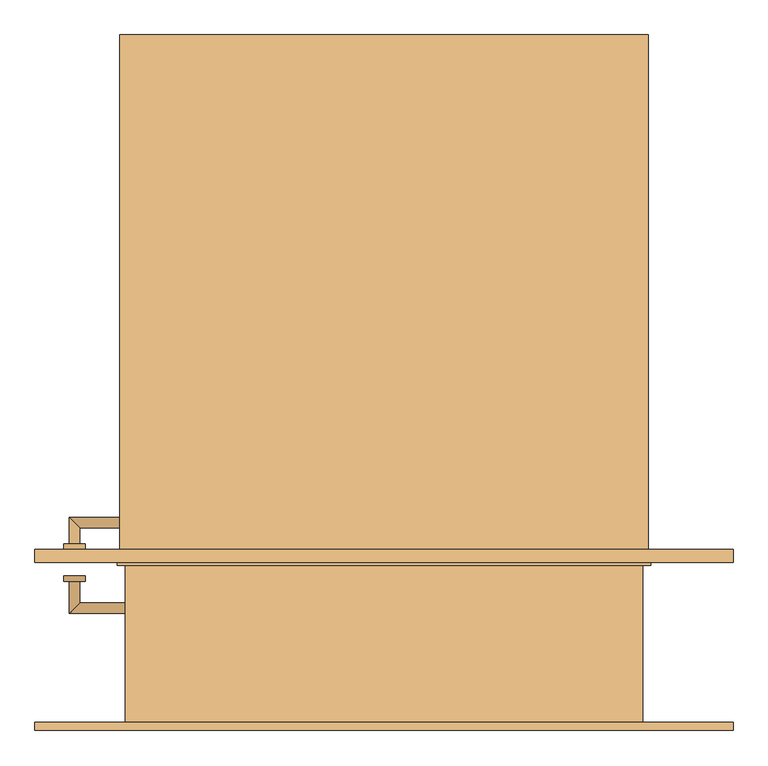
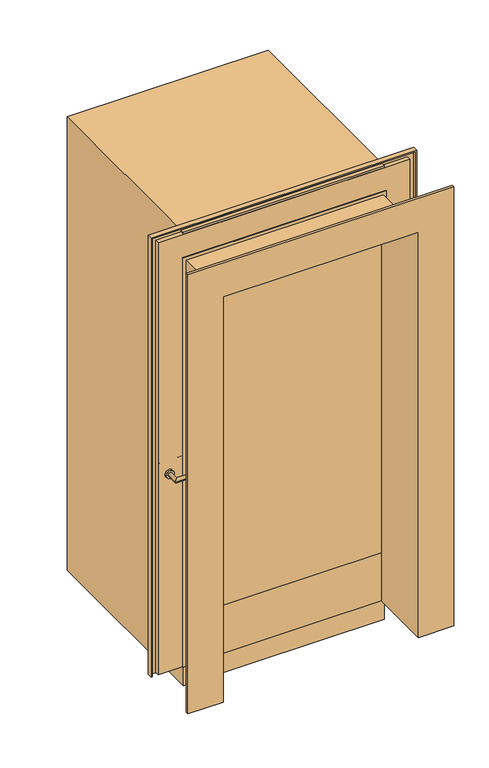
"""IFC4 building model written with IfcOpenShell, lengths in millimetres: door geometry."""

from ifc_helpers import new_model, si_unit, point, frame, frame_2d, origin, origin_with_axes, place, context, project, spatial, polyline, circle_curve, ellipse_curve, trimmed, segment, composite_curve, outline, extrude, faceted_brep, source, transform, mapped, element, save
from ifc_brep_helpers import plane_surface, cylinder_surface, advanced_brep


def door_d13d6771(model_context):
    return source(origin(), model_context, "Body", "SolidModel", [
        advanced_brep(
        [(-590.0, 139.4346141, 1150.0), (-570.0, 139.4346141, 1150.0), (-590.0, 69.4346141, 1150.0), (-570.0, 89.4346141, 1150.0), (-460.0, 69.4346141, 1150.0), (-460.0, 89.4346141, 1150.0)],
        [
            (0, 1, circle_curve(frame((-580.0, 139.4346141, 1150.0), z_axis=(0.0, 1.0, 0.0), x_axis=(1.0, 0.0, 0.0)), 10.0)),
            (1, 0, circle_curve(frame((-580.0, 139.4346141, 1150.0), z_axis=(0.0, 1.0, 0.0), x_axis=(1.0, 0.0, 0.0)), 10.0)),
            (0, 2),
            (2, 3, ellipse_curve(frame((-580.0, 79.4346141, 1150.0), z_axis=(-0.7071067811865385, 0.7071067811865565, 0.0), x_axis=(0.7071067811865563, 0.7071067811865386, 0.0)), 14.1421356, 10.0)),
            (3, 1),
            (3, 2, ellipse_curve(frame((-580.0, 79.4346141, 1150.0), z_axis=(-0.7071067811865385, 0.7071067811865565, 0.0), x_axis=(0.7071067811865563, 0.7071067811865386, 0.0)), 14.1421356, 10.0)),
            (4, 5, circle_curve(frame((-460.0, 79.4346141, 1150.0), z_axis=(1.0, 0.0, 0.0), x_axis=(0.0, 1.0, 0.0)), 10.0)),
            (5, 4, circle_curve(frame((-460.0, 79.4346141, 1150.0), z_axis=(1.0, 0.0, 0.0), x_axis=(0.0, 1.0, 0.0)), 10.0)),
            (2, 4),
            (5, 3),
        ],
        [
            plane_surface(frame((-580.0, 139.4346141, -137.7526403), z_axis=(0.0, 1.0, 0.0), x_axis=(0.0, 0.0, 1.0))),
            cylinder_surface(frame((-580.0, 139.4346141, 1150.0), z_axis=(0.0, 1.0, 0.0), x_axis=(1.0, 0.0, 0.0)), 10.0),
            plane_surface(frame((-460.0, 79.4346141, -137.7526403), z_axis=(1.0, 0.0, 0.0), x_axis=(0.0, 0.0, 1.0))),
            cylinder_surface(frame((-580.0, 79.4346141, 1150.0), z_axis=(-1.0, 0.0, 0.0), x_axis=(0.0, 1.0, 0.0)), 10.0),
        ],
        [
            (0, [[1, 2]]),
            (1, [[-1, 3, 4, 5]]),
            (1, [[-2, -5, 6, -3]]),
            (2, [[7, 8]]),
            (3, [[-4, 9, -8, 10]]),
            (3, [[-6, -10, -7, -9]]),
        ],
    ),
        advanced_brep(
        [(-570.0, 199.4346141, 1150.0), (-590.0, 199.4346141, 1150.0), (-570.0, 229.4346141, 1150.0), (-590.0, 249.4346141, 1150.0), (-460.0, 229.4346141, 1150.0), (-460.0, 249.4346141, 1150.0)],
        [
            (0, 1, circle_curve(frame((-580.0, 199.4346141, 1150.0), z_axis=(0.0, -1.0, 0.0), x_axis=(-1.0, 0.0, 0.0)), 10.0)),
            (1, 0, circle_curve(frame((-580.0, 199.4346141, 1150.0), z_axis=(0.0, -1.0, 0.0), x_axis=(-1.0, 0.0, 0.0)), 10.0)),
            (0, 2),
            (2, 3, ellipse_curve(frame((-580.0, 239.4346141, 1150.0), z_axis=(-0.7071067811865475, -0.7071067811865475, 0.0), x_axis=(0.7071067811865474, -0.7071067811865476, 0.0)), 14.1421356, 10.0)),
            (3, 1),
            (3, 2, ellipse_curve(frame((-580.0, 239.4346141, 1150.0), z_axis=(-0.7071067811865475, -0.7071067811865475, 0.0), x_axis=(0.7071067811865474, -0.7071067811865476, 0.0)), 14.1421356, 10.0)),
            (4, 5, circle_curve(frame((-460.0, 239.4346141, 1150.0), z_axis=(1.0, 0.0, 0.0), x_axis=(0.0, 1.0, 0.0)), 10.0)),
            (5, 4, circle_curve(frame((-460.0, 239.4346141, 1150.0), z_axis=(1.0, 0.0, 0.0), x_axis=(0.0, 1.0, 0.0)), 10.0)),
            (2, 4),
            (5, 3),
        ],
        [
            plane_surface(frame((-580.0, 199.4346141, -137.7526403), z_axis=(0.0, -1.0, 0.0), x_axis=(0.0, 0.0, 1.0))),
            cylinder_surface(frame((-580.0, 199.4346141, 1150.0), z_axis=(0.0, -1.0, 0.0), x_axis=(-1.0, 0.0, 0.0)), 10.0),
            plane_surface(frame((-460.0, 239.4346141, -137.7526403), z_axis=(1.0, 0.0, 0.0), x_axis=(0.0, 0.0, 1.0))),
            cylinder_surface(frame((-580.0, 239.4346141, 1150.0), z_axis=(-1.0, 0.0, 0.0), x_axis=(0.0, 1.0, 0.0)), 10.0),
        ],
        [
            (0, [[1, 2]]),
            (1, [[-1, 3, 4, 5]]),
            (1, [[-2, -5, 6, -3]]),
            (2, [[7, 8]]),
            (3, [[-4, 9, -8, 10]]),
            (3, [[-6, -10, -7, -9]]),
        ],
    ),
        extrude(outline(composite_curve([segment(trimmed(circle_curve(frame_2d((1150.0, -580.0)), 20.0), [point((1150.0, -600.0))], [point((1150.0, -560.0))], False, "CARTESIAN"), True, "CONTINUOUS"), segment(trimmed(circle_curve(frame_2d((1150.0, -580.0)), 20.0), [point((1150.0, -560.0))], [point((1150.0, -600.0))], False, "CARTESIAN"), True, "CONTINUOUS")], self_intersect=False)), frame((0.0, 129.4346141, 0.0), z_axis=(0.0, 1.0, 0.0), x_axis=(0.0, 0.0, 1.0)), (0.0, 0.0, 1.0), 10.0),
        extrude(outline(composite_curve([segment(trimmed(circle_curve(frame_2d((1150.0, -580.0)), 20.0), [point((1150.0, -600.0))], [point((1150.0, -560.0))], False, "CARTESIAN"), True, "CONTINUOUS"), segment(trimmed(circle_curve(frame_2d((1150.0, -580.0)), 20.0), [point((1150.0, -560.0))], [point((1150.0, -600.0))], False, "CARTESIAN"), True, "CONTINUOUS")], self_intersect=False)), frame((0.0, 189.4346141, 0.0), z_axis=(0.0, 1.0, 0.0), x_axis=(0.0, 0.0, 1.0)), (0.0, 0.0, 1.0), 10.0),
        extrude(outline(polyline([(2350.0, -620.0), (100.0, -620.0), (100.0, 620.0), (2350.0, 620.0), (2350.0, -620.0)]), holes=[polyline([(2210.0, -480.0), (2210.0, 480.0), (350.0, 480.0), (350.0, -480.0), (2210.0, -480.0)])]), frame((0.0, 164.4346141, 0.0), z_axis=(0.0, 1.0, 0.0), x_axis=(0.0, 0.0, 1.0)), (0.0, 0.0, 1.0), 25.0),
        faceted_brep([(654.4603207, -150.5653859, 100.0), (480.0, -150.5653859, 100.0), (480.0, 164.4346141, 100.0), (495.0, 164.4346141, 100.0), (495.0, 189.4346141, 100.0), (654.4603207, 189.4346141, 100.0), (654.4603207, 164.4346141, 100.0), (649.4603207, 164.4346141, 100.0), (649.4603207, 184.4346141, 100.0), (500.0, 184.4346141, 100.0), (500.0, 159.4346141, 100.0), (485.0, 159.4346141, 100.0), (485.0, -145.5653859, 100.0), (649.4603207, -145.5653859, 100.0), (649.4603207, -135.5653859, 100.0), (654.4603207, -135.5653859, 100.0), (654.4603207, -150.5653859, 2384.4603207), (-654.4603207, -150.5653859, 2384.4603207), (-654.4603207, -150.5653859, 100.0), (-480.0, -150.5653859, 100.0), (-480.0, -150.5653859, 2210.0), (480.0, -150.5653859, 2210.0), (480.0, 164.4346141, 2210.0), (-480.0, 164.4346141, 2210.0), (-480.0, 164.4346141, 100.0), (-495.0, 164.4346141, 100.0), (-495.0, 164.4346141, 2225.0), (495.0, 164.4346141, 2225.0), (495.0, 189.4346141, 2225.0), (-495.0, 189.4346141, 2225.0), (-495.0, 189.4346141, 100.0), (-654.4603207, 189.4346141, 100.0), (-654.4603207, 189.4346141, 2384.4603207), (654.4603207, 189.4346141, 2384.4603207), (654.4603207, 164.4346141, 2384.4603207), (-654.4603207, 164.4346141, 2384.4603207), (-654.4603207, 164.4346141, 100.0), (-649.4603207, 164.4346141, 100.0), (-649.4603207, 164.4346141, 2379.4603207), (649.4603207, 164.4346141, 2379.4603207), (649.4603207, 184.4346141, 2379.4603207), (-649.4603207, 184.4346141, 2379.4603207), (-649.4603207, 184.4346141, 100.0), (-500.0, 184.4346141, 100.0), (-500.0, 184.4346141, 2230.0), (500.0, 184.4346141, 2230.0), (500.0, 159.4346141, 2230.0), (-500.0, 159.4346141, 2230.0), (-500.0, 159.4346141, 100.0), (-485.0, 159.4346141, 100.0), (-485.0, 159.4346141, 2215.0), (485.0, 159.4346141, 2215.0), (485.0, -145.5653859, 2215.0), (-485.0, -145.5653859, 2215.0), (-485.0, -145.5653859, 100.0), (-649.4603207, -145.5653859, 100.0), (-649.4603207, -145.5653859, 2379.4603207), (649.4603207, -145.5653859, 2379.4603207), (649.4603207, -135.5653859, 2379.4603207), (-649.4603207, -135.5653859, 2379.4603207), (-649.4603207, -135.5653859, 100.0), (-654.4603207, -135.5653859, 100.0), (-654.4603207, -135.5653859, 2384.4603207), (654.4603207, -135.5653859, 2384.4603207)], [[[0, 1, 2, 3, 4, 5, 6, 7, 8, 9, 10, 11, 12, 13, 14, 15]], [[1, 0, 16, 17, 18, 19, 20, 21]], [[2, 1, 21, 22]], [[3, 2, 22, 23, 24, 25, 26, 27]], [[4, 3, 27, 28]], [[5, 4, 28, 29, 30, 31, 32, 33]], [[6, 5, 33, 34]], [[7, 6, 34, 35, 36, 37, 38, 39]], [[8, 7, 39, 40]], [[9, 8, 40, 41, 42, 43, 44, 45]], [[10, 9, 45, 46]], [[11, 10, 46, 47, 48, 49, 50, 51]], [[12, 11, 51, 52]], [[13, 12, 52, 53, 54, 55, 56, 57]], [[14, 13, 57, 58]], [[15, 14, 58, 59, 60, 61, 62, 63]], [[0, 15, 63, 16]], [[17, 62, 61, 18]], [[18, 61, 60, 55, 54, 49, 48, 43, 42, 37, 36, 31, 30, 25, 24, 19]], [[23, 20, 19, 24]], [[29, 26, 25, 30]], [[35, 32, 31, 36]], [[41, 38, 37, 42]], [[47, 44, 43, 48]], [[53, 50, 49, 54]], [[59, 56, 55, 60]], [[22, 21, 20, 23]], [[28, 27, 26, 29]], [[34, 33, 32, 35]], [[40, 39, 38, 41]], [[46, 45, 44, 47]], [[52, 51, 50, 53]], [[58, 57, 56, 59]], [[16, 63, 62, 17]]]),
        extrude(outline(polyline([(-480.0, 189.4346141), (480.0, 189.4346141), (480.0, 164.4346141), (-480.0, 164.4346141), (-480.0, 189.4346141)])), frame((0.0, 0.0, 350.0), z_axis=(0.0, 0.0, 1.0), x_axis=(1.0, 0.0, 0.0)), (0.0, 0.0, 1.0), 1860.0),
        extrude(outline(polyline([(495.0, 1154.4346141), (495.0, 164.4346141), (-495.0, 164.4346141), (-495.0, 1154.4346141), (495.0, 1154.4346141)])), origin_with_axes(), (0.0, 0.0, 1.0), 2360.0),
    ])


if __name__ == "__main__":
    model = new_model("IFC4")
    model_context = context("Model", 3, world=origin())
    ifc_project = project(units=[si_unit("LENGTHUNIT", "METRE", prefix="MILLI")], contexts=[model_context])
    site = spatial("IfcSite", under=ifc_project)
    building = spatial("IfcBuilding", under=site)
    placement = place(None, origin())
    door_shape = door_d13d6771(model_context)
    element("IfcDoor", 1, at=placement, inside=building, context=model_context, shape_type="MappedRepresentation", body=[
        mapped(door_shape, transform((0.0, 0.0, 0.0), x_axis=(1.0, 0.0, 0.0), y_axis=(0.0, 1.0, 0.0), z_axis=(0.0, 0.0, 1.0))),
    ])
    save(model, "model.ifc")
